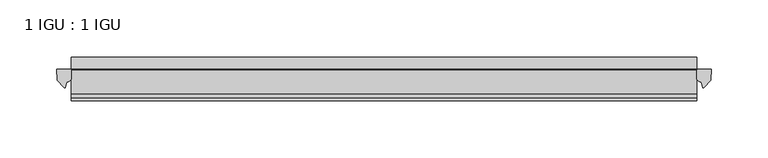
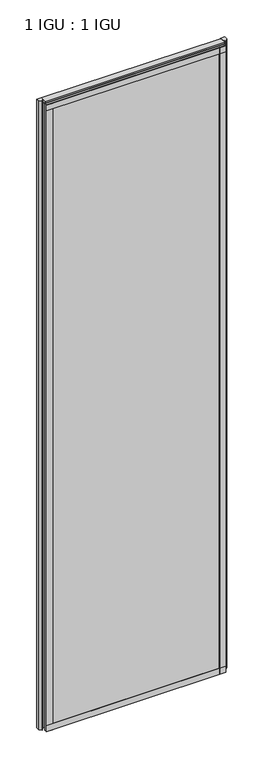
"""IFC4 building model written with IfcOpenShell, lengths in millimetres: plate geometry, 1 IGU : 1 IGU."""

from ifc_helpers import new_model, si_unit, point, frame, frame_2d, origin, place, context, project, spatial, polyline, circle_curve, ellipse_curve, trimmed, segment, composite_curve, outline, extrude, source, transform, mapped, element, save
from ifc_brep_helpers import plane_surface, cylinder_surface, revolved_surface, extruded_surface, advanced_brep


def plate_1_igu_1_igu_3358facb(model_context):
    return source(origin(), model_context, "Body", "SolidModel", [
        extrude(outline(polyline([(307.9884937, -11.6085937), (307.9884937, -18.8576359), (-243.8931812, -18.8576359), (-243.8931812, -11.6085937), (307.9884937, -11.6085937)])), frame((0.0, 0.0, -19.05), z_axis=(0.0, 0.0, 1.0), x_axis=(1.0, 0.0, 0.0)), (0.0, 0.0, 1.0), 2038.3500001),
        extrude(outline(polyline([(-243.8931812, -30.7093937), (307.9884937, -30.7093937), (307.9884937, -37.0085937), (-243.8931812, -37.0085937), (-243.8931812, -30.7093937)])), frame((0.0, 0.0, -19.05), z_axis=(0.0, 0.0, 1.0), x_axis=(1.0, 0.0, 0.0)), (0.0, 0.0, 1.0), 2038.3500001),
        extrude(outline(composite_curve([segment(polyline([(321.0664029, -11.6101465), (320.6884938, -21.3502133), (314.7504405, -27.6095865)]), True, "CONTINUOUS"), segment(trimmed(circle_curve(frame_2d((314.0776344, -27.2518492)), 0.762), [point((314.7504405, -27.6095865))], [point((313.3489302, -27.4746364))], False, "CARTESIAN"), True, "CONTINUOUS"), segment(polyline([(313.3489302, -27.4746364), (312.0870956, -23.3488397)]), True, "CONTINUOUS"), segment(trimmed(circle_curve(frame_2d((314.2690528, -16.3834724)), 7.2991286), [point((312.0870956, -23.3488397))], [point((307.9886724, -20.1028944))], False, "CARTESIAN"), True, "CONTINUOUS"), segment(polyline([(307.9886724, -20.1028944), (307.9886724, -12.664425)]), True, "CONTINUOUS"), segment(trimmed(circle_curve(frame_2d((314.2699268, -16.3827796)), 7.2993369), [point((307.9886724, -12.664425))], [point((308.7470388, -11.6101465))], False, "CARTESIAN"), True, "CONTINUOUS"), segment(polyline([(308.7470388, -11.6101465), (321.0664029, -11.6101465)]), True, "CONTINUOUS")], self_intersect=False)), frame((0.0, 0.0, -19.05), z_axis=(0.0, 0.0, 1.0), x_axis=(1.0, 0.0, 0.0)), (0.0, 0.0, 1.0), 2045.4874001),
        extrude(outline(composite_curve([segment(polyline([(-243.8931812, -11.610702), (-243.8931812, -20.1014769)]), True, "CONTINUOUS"), segment(trimmed(circle_curve(frame_2d((-250.1743756, -16.3829847)), 7.2993552), [point((-243.8931812, -20.1014769))], [point((-247.992131, -23.3484994))], False, "CARTESIAN"), True, "CONTINUOUS"), segment(polyline([(-247.992131, -23.3484994), (-249.2536177, -27.4746364)]), True, "CONTINUOUS"), segment(trimmed(circle_curve(frame_2d((-249.9823219, -27.2518492)), 0.762), [point((-249.2536177, -27.4746364))], [point((-250.655128, -27.6095865))], False, "CARTESIAN"), True, "CONTINUOUS"), segment(polyline([(-250.655128, -27.6095865), (-256.5931812, -21.3502133), (-256.9710904, -11.610702), (-243.8931812, -11.610702)]), True, "CONTINUOUS")], self_intersect=False)), frame((0.0, 0.0, -19.05), z_axis=(0.0, 0.0, 1.0), x_axis=(1.0, 0.0, 0.0)), (0.0, 0.0, 1.0), 2045.4874001),
        extrude(outline(polyline([(-11.6085937, -15.24), (-11.6085937, 2.8161565), (-0.5298609, 1.2591422), (-0.5298609, -0.6645794), (-5.258589, 0.0), (-5.258589, -4.826), (-1.575589, -4.826), (-1.575589, -7.874), (-5.258589, -7.874), (-5.258589, -13.208), (-3.099589, -13.208), (-3.099589, -15.24), (-11.6085937, -15.24)])), frame((-243.8931813, 0.0, 0.0), z_axis=(1.0, 0.0, 0.0), x_axis=(0.0, 1.0, 0.0)), (0.0, 0.0, 1.0), 551.881675),
        extrude(outline(polyline([(-243.8931813, -39.2945937), (-243.8931813, -37.0085937), (307.9884937, -37.0085937), (307.9884937, -39.2945937), (-243.8931813, -39.2945937)])), frame((0.0, 0.0, -19.05), z_axis=(0.0, 0.0, 1.0), x_axis=(1.0, 0.0, 0.0)), (0.0, 0.0, 1.0), 19.05),
        advanced_brep(
        [(-243.8931813, -24.3085937, 2018.1276629), (-243.8931813, -33.4116395, 2026.4374001), (-243.8931813, -12.7165288, 2026.4374001), (-243.8931813, -11.6085937, 2019.3000001), (-243.8931813, -17.9077937, 2019.3000001), (307.9884937, -24.3085937, 2018.1276629), (307.9884937, -17.9077937, 2019.3000001), (307.9884937, -11.6085937, 2019.3000001), (307.9884937, -12.7165288, 2026.4374001), (307.9884937, -33.4116395, 2026.4374001)],
        [
            (0, 1, ellipse_curve(frame((-243.8931813, -24.3085937, 2028.8250001), z_axis=(-1.0, 0.0, 0.0), x_axis=(0.0, 0.0, -1.0)), 10.6973372, 9.3386252)),
            (1, 2),
            (2, 3, circle_curve(frame((-243.8931813, 26.2083666, 2028.8250001), z_axis=(1.0, 0.0, 0.0), x_axis=(0.0, 0.0, -1.0)), 38.9980527)),
            (3, 4),
            (4, 0, circle_curve(frame((-243.8931813, -24.3085937, 2036.1875764), z_axis=(-1.0, 0.0, 0.0), x_axis=(0.0, 0.0, -1.0)), 18.0599135)),
            (5, 6, circle_curve(frame((307.9884937, -24.3085937, 2036.1875764), z_axis=(1.0, 0.0, 0.0), x_axis=(0.0, 0.0, -1.0)), 18.0599135)),
            (6, 7),
            (7, 8, circle_curve(frame((307.9884937, 26.2083666, 2028.8250001), z_axis=(-1.0, 0.0, 0.0), x_axis=(0.0, 0.0, -1.0)), 38.9980527)),
            (8, 9),
            (9, 5, ellipse_curve(frame((307.9884937, -24.3085937, 2028.8250001), z_axis=(1.0, 0.0, 0.0), x_axis=(0.0, 0.0, -1.0)), 10.6973372, 9.3386252)),
            (0, 5),
            (9, 1),
            (8, 2),
            (7, 3),
            (6, 4),
        ],
        [
            plane_surface(frame((-243.8931813, -9.2273437, 2028.8250001), z_axis=(-1.0, 0.0, 0.0), x_axis=(0.0, 1.0, 0.0))),
            plane_surface(frame((307.9884937, -9.2273438, 2028.8250001), z_axis=(1.0, 0.0, 0.0), x_axis=(0.0, 1.0, 0.0))),
            extruded_surface(trimmed(ellipse_curve(frame((307.9884937, -24.3085937, 2028.8250001), z_axis=(-1.0, 0.0, 0.0), x_axis=(0.0, 0.0, -1.0)), 10.6973372, 9.3386252), [point((307.9884937, -24.3085937, 2018.1276629))], [point((307.9884937, -33.4116395, 2026.4374001))], True, "CARTESIAN"), (-551.881675, 0.0, 0.0), 551.881675),
            plane_surface(frame((-243.8931813, -33.4116395, 2026.4374001), z_axis=(0.0, 0.0, 1.0), x_axis=(1.0, 0.0, 0.0))),
            revolved_surface(polyline([(307.98849369999994, 26.2083666, 1989.8269473999999), (-243.8931813, 26.2083666, 1989.8269473999999)]), (-243.8931813, 26.2083666, 2028.8250001), (1.0, 0.0, 0.0)),
            plane_surface(frame((-243.8931813, -11.6085937, 2019.3000001), z_axis=(0.0, 0.0, -1.0), x_axis=(1.0, 0.0, 0.0))),
            cylinder_surface(frame((-243.8931813, -24.3085937, 2036.1875764), z_axis=(-1.0, 0.0, 0.0), x_axis=(0.0, 0.0, -1.0)), 18.0599135),
        ],
        [
            (0, [[1, 2, 3, 4, 5]]),
            (1, [[6, 7, 8, 9, 10]]),
            (2, [[-1, 11, -10, 12]]),
            (3, [[-2, -12, -9, 13]]),
            (4, [[-3, -13, -8, 14]]),
            (5, [[-4, -14, -7, 15]]),
            (6, [[-5, -15, -6, -11]]),
        ],
    ),
        extrude(outline(polyline([(-243.8931813, -39.2945937), (-243.8931813, -37.0085937), (307.9884937, -37.0085937), (307.9884937, -39.2945937), (-243.8931813, -39.2945937)])), frame((0.0, 0.0, 2000.2500001), z_axis=(0.0, 0.0, 1.0), x_axis=(1.0, 0.0, 0.0)), (0.0, 0.0, 1.0), 19.05),
        extrude(outline(polyline([(288.9384938, -37.0085937), (307.9884938, -37.0085937), (307.9884938, -39.2945938), (288.9384938, -39.2945938), (288.9384938, -37.0085937)])), frame((0.0, 0.0, -19.05), z_axis=(0.0, 0.0, 1.0), x_axis=(1.0, 0.0, 0.0)), (0.0, 0.0, 1.0), 2038.3500001),
        extrude(outline(polyline([(-243.8931812, -39.2945937), (-243.8931812, -37.0085937), (-224.8431812, -37.0085937), (-224.8431812, -39.2945937), (-243.8931812, -39.2945937)])), frame((0.0, 0.0, -19.05), z_axis=(0.0, 0.0, 1.0), x_axis=(1.0, 0.0, 0.0)), (0.0, 0.0, 1.0), 2038.3500001),
    ])


if __name__ == "__main__":
    model = new_model("IFC4")
    model_context = context("Model", 3, world=origin())
    ifc_project = project(units=[si_unit("LENGTHUNIT", "METRE", prefix="MILLI")], contexts=[model_context])
    site = spatial("IfcSite", under=ifc_project)
    building = spatial("IfcBuilding", under=site)
    placement = place(None, origin())
    plate_1_igu_1_igu_shape = plate_1_igu_1_igu_3358facb(model_context)
    element("IfcPlate", 1, ObjectType="1 IGU : 1 IGU", at=placement, inside=building, context=model_context, shape_type="MappedRepresentation", body=[
        mapped(plate_1_igu_1_igu_shape, transform((0.0, 0.0, 0.0), x_axis=(1.0, 0.0, 0.0), y_axis=(0.0, 1.0, 0.0), z_axis=(0.0, 0.0, 1.0))),
    ])
    save(model, "model.ifc")
